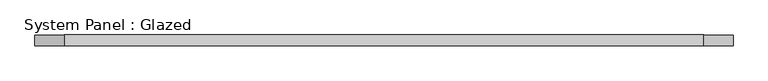
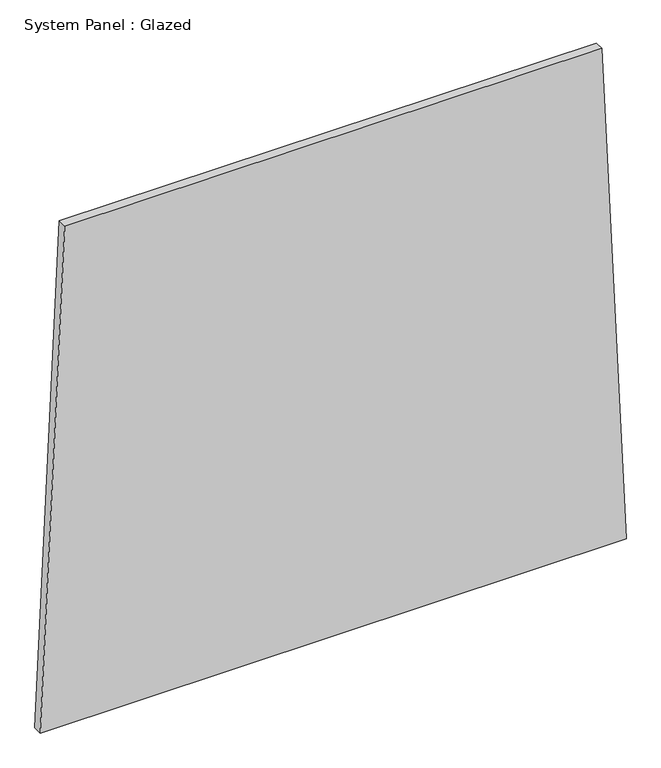
"""IFC4 building model written with IfcOpenShell, lengths in millimetres: plate geometry, System Panel : Glazed."""

from ifc_helpers import new_model, si_unit, frame, origin, place, context, project, spatial, polyline, outline, extrude, source, transform, mapped, element, save


def system_panel_glazed_1c8a33c5(model_context):
    return source(origin(), model_context, "Body", "SweptSolid", [
        extrude(outline(polyline([(0.0, -805.2934026), (0.0, 805.2934026), (1448.3832232, 737.9962154), (1448.3831686, -737.9889095), (0.0, -805.2934026)])), frame((0.0, -49.5, 0.0), z_axis=(0.0, 1.0, 0.0), x_axis=(0.0, 0.0, 1.0)), (0.0, 0.0, 1.0), 25.0),
    ])


if __name__ == "__main__":
    model = new_model("IFC4")
    model_context = context("Model", 3, world=origin())
    ifc_project = project(units=[si_unit("LENGTHUNIT", "METRE", prefix="MILLI")], contexts=[model_context])
    site = spatial("IfcSite", under=ifc_project)
    building = spatial("IfcBuilding", under=site)
    placement = place(None, origin())
    system_panel_glazed_shape = system_panel_glazed_1c8a33c5(model_context)
    element("IfcPlate", 1, ObjectType="System Panel : Glazed", at=placement, inside=building, context=model_context, shape_type="MappedRepresentation", body=[
        mapped(system_panel_glazed_shape, transform((0.0, 0.0, 0.0), x_axis=(1.0, 0.0, 0.0), y_axis=(0.0, 1.0, 0.0), z_axis=(0.0, 0.0, 1.0))),
    ])
    save(model, "model.ifc")
